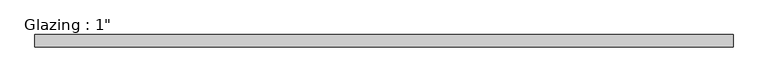
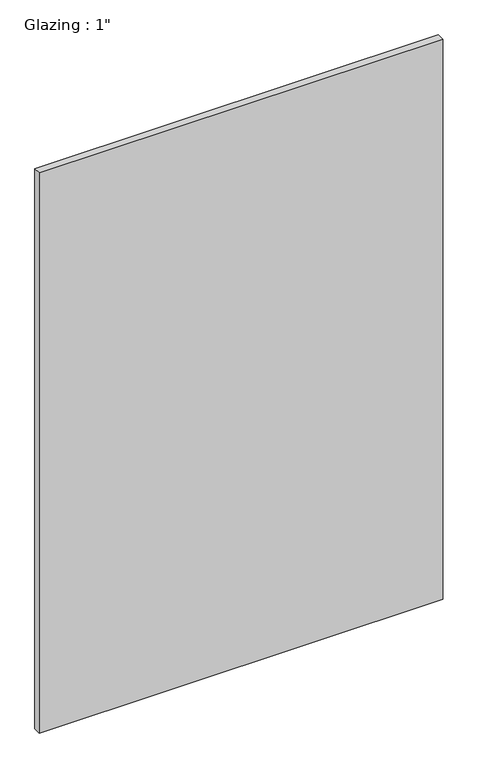
"""IFC4 building model written with IfcOpenShell, lengths in millimetres: plate geometry."""

from ifc_helpers import new_model, si_unit, origin, origin_with_axes, place, context, project, spatial, polyline, outline, extrude, source, transform, mapped, element, save


def plate_7279cd58(model_context):
    return source(origin(), model_context, "Body", "SweptSolid", [
        extrude(outline(polyline([(715.4631955, -12.7), (-715.4631955, -12.7), (-715.4631955, 12.7), (715.4631955, 12.7), (715.4631955, -12.7)])), origin_with_axes(), (0.0, 0.0, 1.0), 2100.892839),
    ])


if __name__ == "__main__":
    model = new_model("IFC4")
    model_context = context("Model", 3, world=origin())
    ifc_project = project(units=[si_unit("LENGTHUNIT", "METRE", prefix="MILLI")], contexts=[model_context])
    site = spatial("IfcSite", under=ifc_project)
    building = spatial("IfcBuilding", under=site)
    placement = place(None, origin())
    plate_shape = plate_7279cd58(model_context)
    element("IfcPlate", 1, ObjectType="Glazing : 1\"", at=placement, inside=building, context=model_context, shape_type="MappedRepresentation", body=[
        mapped(plate_shape, transform((0.0, 0.0, 0.0), x_axis=(1.0, 0.0, 0.0), y_axis=(0.0, 1.0, 0.0), z_axis=(0.0, 0.0, 1.0))),
    ])
    save(model, "model.ifc")
